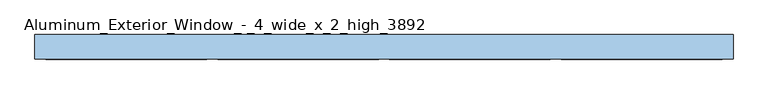
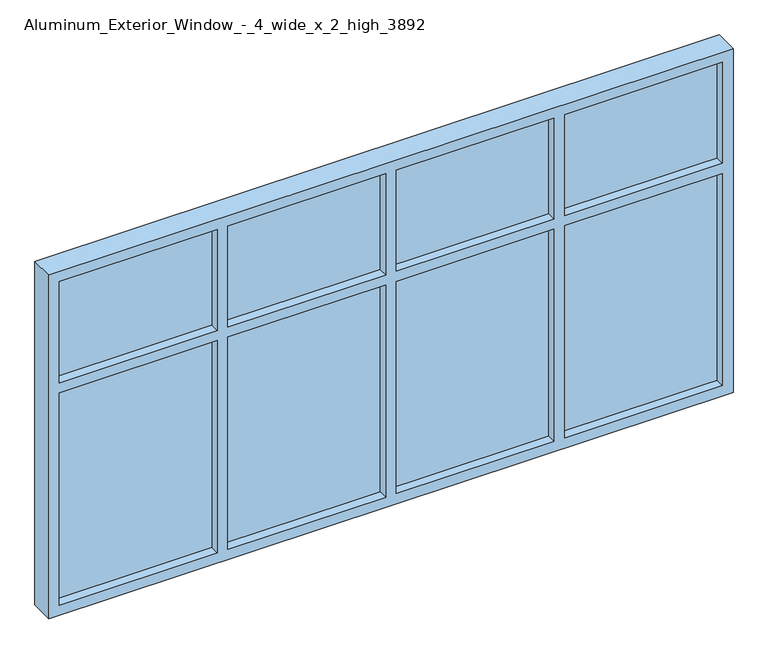
"""IFC4 building model written with IfcOpenShell, lengths in millimetres: window geometry, Aluminum_Exterior_Window_-_4_wide_x_2_high_3892."""

from ifc_helpers import new_model, si_unit, frame, origin, place, context, project, spatial, polyline, outline, extrude, source, transform, mapped, element, save


def aluminum_exterior_window_4_wide_x_2_high_3892_8f4aa8b5(model_context):
    return source(origin(), model_context, "Body", "SweptSolid", [
        extrude(outline(polyline([(1121.8333333, 56.7075246), (1871.1333333, 56.7075246), (1871.1333333, 31.3075246), (1121.8333333, 31.3075246), (1121.8333333, 56.7075246)])), frame((0.0, 0.0, 956.6367551), z_axis=(0.0, 0.0, 1.0), x_axis=(1.0, 0.0, 0.0)), (0.0, 0.0, 1.0), 1066.8),
        extrude(outline(polyline([(1121.8333333, 56.7075246), (1871.1333333, 56.7075246), (1871.1333333, 31.3075246), (1121.8333333, 31.3075246), (1121.8333333, 56.7075246)])), frame((0.0, 0.0, 2074.2367551), z_axis=(0.0, 0.0, 1.0), x_axis=(1.0, 0.0, 0.0)), (0.0, 0.0, 1.0), 508.0),
        extrude(outline(polyline([(-1278.4666667, 56.7075246), (-529.1666667, 56.7075246), (-529.1666667, 31.3075246), (-1278.4666667, 31.3075246), (-1278.4666667, 56.7075246)])), frame((0.0, 0.0, 2074.2367551), z_axis=(0.0, 0.0, 1.0), x_axis=(1.0, 0.0, 0.0)), (0.0, 0.0, 1.0), 508.0),
        extrude(outline(polyline([(321.7333333, 56.7075246), (1071.0333333, 56.7075246), (1071.0333333, 31.3075246), (321.7333333, 31.3075246), (321.7333333, 56.7075246)])), frame((0.0, 0.0, 2074.2367551), z_axis=(0.0, 0.0, 1.0), x_axis=(1.0, 0.0, 0.0)), (0.0, 0.0, 1.0), 508.0),
        extrude(outline(polyline([(-478.3666667, 56.7075246), (270.9333333, 56.7075246), (270.9333333, 31.3075246), (-478.3666667, 31.3075246), (-478.3666667, 56.7075246)])), frame((0.0, 0.0, 2074.2367551), z_axis=(0.0, 0.0, 1.0), x_axis=(1.0, 0.0, 0.0)), (0.0, 0.0, 1.0), 508.0),
        extrude(outline(polyline([(-1278.4666667, 56.7075246), (-529.1666667, 56.7075246), (-529.1666667, 31.3075246), (-1278.4666667, 31.3075246), (-1278.4666667, 56.7075246)])), frame((0.0, 0.0, 956.6367551), z_axis=(0.0, 0.0, 1.0), x_axis=(1.0, 0.0, 0.0)), (0.0, 0.0, 1.0), 1066.8),
        extrude(outline(polyline([(321.7333333, 56.7075246), (1071.0333333, 56.7075246), (1071.0333333, 31.3075246), (321.7333333, 31.3075246), (321.7333333, 56.7075246)])), frame((0.0, 0.0, 956.6367551), z_axis=(0.0, 0.0, 1.0), x_axis=(1.0, 0.0, 0.0)), (0.0, 0.0, 1.0), 1066.8),
        extrude(outline(polyline([(-478.3666667, 56.7075246), (270.9333333, 56.7075246), (270.9333333, 31.3075246), (-478.3666667, 31.3075246), (-478.3666667, 56.7075246)])), frame((0.0, 0.0, 956.6367551), z_axis=(0.0, 0.0, 1.0), x_axis=(1.0, 0.0, 0.0)), (0.0, 0.0, 1.0), 1066.8),
        extrude(outline(polyline([(2633.0367551, -1329.2666667), (905.8367551, -1329.2666667), (905.8367551, 1921.9333333), (2633.0367551, 1921.9333333), (2633.0367551, -1329.2666667)]), holes=[polyline([(2582.2367551, 1121.8333333), (2582.2367551, 1871.1333333), (2074.2367551, 1871.1333333), (2074.2367551, 1121.8333333), (2582.2367551, 1121.8333333)]), polyline([(2582.2367551, -1278.4666667), (2582.2367551, -529.1666667), (2074.2367551, -529.1666667), (2074.2367551, -1278.4666667), (2582.2367551, -1278.4666667)]), polyline([(2582.2367551, 321.7333333), (2582.2367551, 1071.0333333), (2074.2367551, 1071.0333333), (2074.2367551, 321.7333333), (2582.2367551, 321.7333333)]), polyline([(2582.2367551, -478.3666667), (2582.2367551, 270.9333333), (2074.2367551, 270.9333333), (2074.2367551, -478.3666667), (2582.2367551, -478.3666667)]), polyline([(2023.4367551, 1121.8333333), (2023.4367551, 1871.1333333), (956.6367551, 1871.1333333), (956.6367551, 1121.8333333), (2023.4367551, 1121.8333333)]), polyline([(2023.4367551, -1278.4666667), (2023.4367551, -529.1666667), (956.6367551, -529.1666667), (956.6367551, -1278.4666667), (2023.4367551, -1278.4666667)]), polyline([(2023.4367551, 321.7333333), (2023.4367551, 1071.0333333), (956.6367551, 1071.0333333), (956.6367551, 321.7333333), (2023.4367551, 321.7333333)]), polyline([(2023.4367551, -478.3666667), (2023.4367551, 270.9333333), (956.6367551, 270.9333333), (956.6367551, -478.3666667), (2023.4367551, -478.3666667)])]), frame((0.0, -13.1424754, 0.0), z_axis=(0.0, 1.0, 0.0), x_axis=(0.0, 0.0, 1.0)), (0.0, 0.0, 1.0), 114.3),
    ])


if __name__ == "__main__":
    model = new_model("IFC4")
    model_context = context("Model", 3, world=origin())
    ifc_project = project(units=[si_unit("LENGTHUNIT", "METRE", prefix="MILLI")], contexts=[model_context])
    site = spatial("IfcSite", under=ifc_project)
    building = spatial("IfcBuilding", under=site)
    placement = place(None, origin())
    aluminum_exterior_window_4_wide_x_2_high_3892_shape = aluminum_exterior_window_4_wide_x_2_high_3892_8f4aa8b5(model_context)
    element("IfcWindow", 1, ObjectType="Aluminum_Exterior_Window_-_4_wide_x_2_high_3892", at=placement, inside=building, context=model_context, shape_type="MappedRepresentation", body=[
        mapped(aluminum_exterior_window_4_wide_x_2_high_3892_shape, transform((0.0, 0.0, 0.0), x_axis=(1.0, 0.0, 0.0), y_axis=(0.0, 1.0, 0.0), z_axis=(0.0, 0.0, 1.0))),
    ])
    save(model, "model.ifc")
